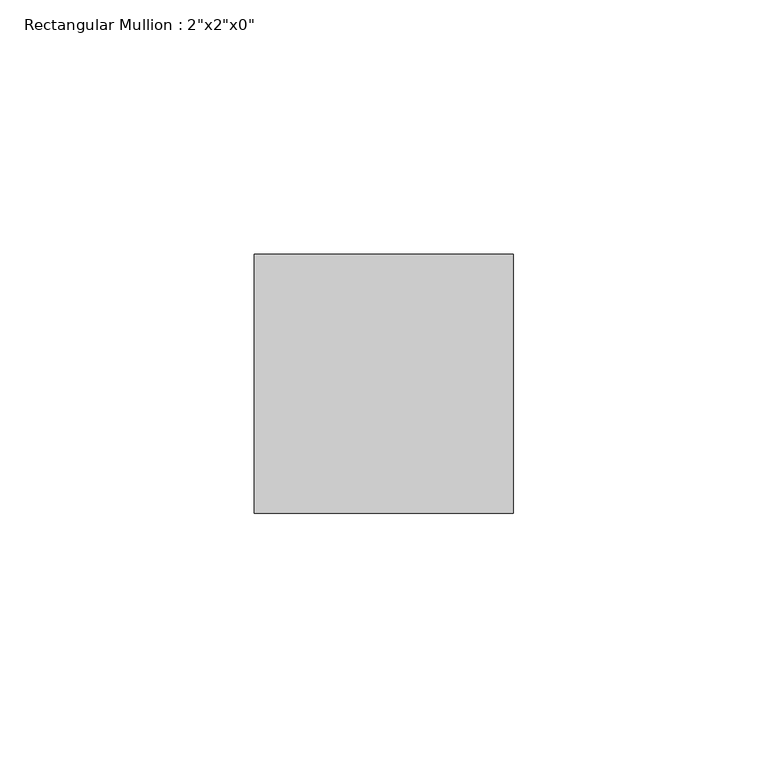
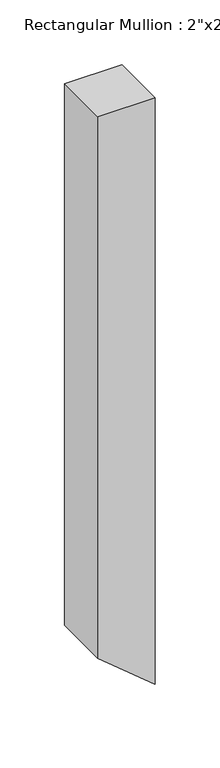
"""IFC4 building model written with IfcOpenShell, lengths in millimetres: member geometry."""

from ifc_helpers import new_model, si_unit, frame, origin, place, context, project, spatial, polyline, outline, extrude, source, transform, mapped, element, save


def member_e5130099(model_context):
    return source(origin(), model_context, "Body", "SweptSolid", [
        extrude(outline(polyline([(0.0, 0.0), (0.0, -50.8), (-508.8893084, -50.8), (-551.1574633, 0.0), (0.0, 0.0)])), frame((0.0, -25.4, 0.0), z_axis=(0.0, 1.0, 0.0), x_axis=(0.0, 0.0, 1.0)), (0.0, 0.0, 1.0), 50.8),
    ])


if __name__ == "__main__":
    model = new_model("IFC4")
    model_context = context("Model", 3, world=origin())
    ifc_project = project(units=[si_unit("LENGTHUNIT", "METRE", prefix="MILLI")], contexts=[model_context])
    site = spatial("IfcSite", under=ifc_project)
    building = spatial("IfcBuilding", under=site)
    placement = place(None, origin())
    member_shape = member_e5130099(model_context)
    element("IfcMember", 1, ObjectType="Rectangular Mullion : 2\"x2\"x0\"", at=placement, inside=building, context=model_context, shape_type="MappedRepresentation", body=[
        mapped(member_shape, transform((0.0, 0.0, 0.0), x_axis=(1.0, 0.0, 0.0), y_axis=(0.0, 1.0, 0.0), z_axis=(0.0, 0.0, 1.0))),
    ])
    save(model, "model.ifc")
